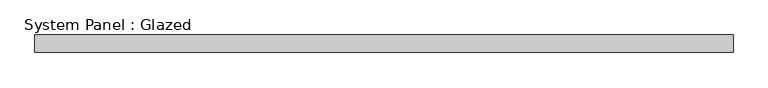
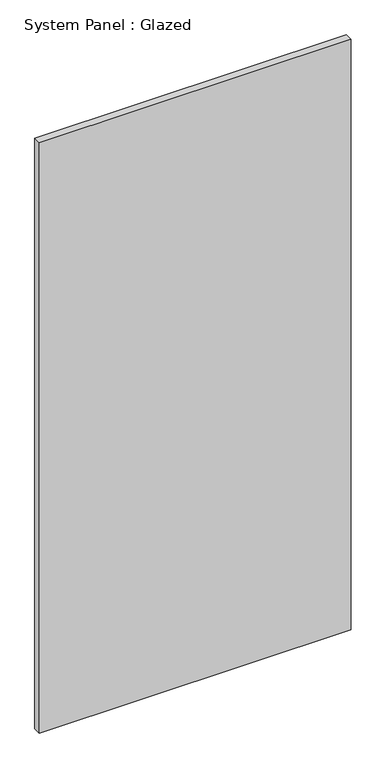
"""IFC4 building model written with IfcOpenShell, lengths in millimetres: plate geometry, System Panel : Glazed."""

import ifcopenshell
import ifcopenshell.guid

model = None  # the IFC model being written
_history = None  # IfcOwnerHistory: only IFC2X3 demands one
_inside = {}  # id of a spatial element -> (the spatial element, [elements in it])
_under = {}  # id of a project, library or spatial element -> (it, [spatial elements below it])
_declared = {}  # id of a project -> (the project, [libraries it declares])
_typed = {}  # id of a type object -> (the type object, [elements of that type])
_made_of = {}  # id of a material, layer set ... -> (it, [elements and type objects made of it])


def new_model(schema):
    """Start an empty IFC model of exactly this schema.

    Asked for "IFC4X3", IfcOpenShell would pick the latest addendum, in which some entities
    have other attributes; the version numbers below select the first issue.
    IFC2X3 requires an IfcOwnerHistory on every rooted entity: one is made here for all.
    """
    global model, _history
    if schema == "IFC4X3":
        model = ifcopenshell.file(schema_version=(4, 3, 0, 0))
    else:
        model = ifcopenshell.file(schema=schema)
    _inside.clear()
    _under.clear()
    _declared.clear()
    _typed.clear()
    _made_of.clear()
    _history = None
    if model.schema == "IFC2X3":
        org = make("IfcOrganization", Name="unknown")
        user = make(
            "IfcPersonAndOrganization",
            ThePerson=make("IfcPerson", FamilyName="unknown"),
            TheOrganization=org,
        )
        app = make(
            "IfcApplication",
            ApplicationDeveloper=org,
            Version="unknown",
            ApplicationFullName="unknown",
            ApplicationIdentifier="unknown",
        )
        _history = make(
            "IfcOwnerHistory",
            OwningUser=user,
            OwningApplication=app,
            ChangeAction="ADDED",
            CreationDate=0,
        )
    return model


def make(cls, **values):
    """One entity of the class cls with the attributes given. An attribute that is None is left unset."""
    return model.create_entity(
        cls, **{name: value for name, value in values.items() if value is not None}
    )


def rooted(cls, **values):
    """An entity with a GlobalId (a new one), such as an element, a storey or a relation."""
    return make(cls, GlobalId=ifcopenshell.guid.new(), OwnerHistory=_history, **values)


def si_unit(unit_type, name, prefix=None):
    """IfcSIUnit, for example si_unit("LENGTHUNIT", "METRE", prefix="MILLI")."""
    return make("IfcSIUnit", UnitType=unit_type, Prefix=prefix, Name=name)


def assignment(units):
    """IfcUnitAssignment: the units of a project."""
    return None if units is None else make("IfcUnitAssignment", Units=units)


def point(xyz):
    """IfcCartesianPoint."""
    return None if xyz is None else make("IfcCartesianPoint", Coordinates=xyz)


def direction(xyz):
    """IfcDirection."""
    return None if xyz is None else make("IfcDirection", DirectionRatios=xyz)


def frame(location, z_axis=None, x_axis=None):
    """IfcAxis2Placement3D, a coordinate frame: its origin and axes. An axis left out is left unset."""
    return make(
        "IfcAxis2Placement3D",
        Location=point(location),
        Axis=direction(z_axis),
        RefDirection=direction(x_axis),
    )


def origin():
    """The frame at (0, 0, 0) with its axes left unset."""
    return frame((0.0, 0.0, 0.0))


def origin_with_axes():
    """The frame at (0, 0, 0) with the z axis (0, 0, 1) and the x axis (1, 0, 0) written out."""
    return frame((0.0, 0.0, 0.0), z_axis=(0.0, 0.0, 1.0), x_axis=(1.0, 0.0, 0.0))


def place(relative_to, where):
    """IfcLocalPlacement: puts the frame where relative to a parent placement (None: the world)."""
    return make(
        "IfcLocalPlacement", PlacementRelTo=relative_to, RelativePlacement=where
    )


def context(
    kind, dimensions, precision=None, world=None, true_north=None, identifier=None
):
    """IfcGeometricRepresentationContext, for example the 3D "Model" context."""
    return make(
        "IfcGeometricRepresentationContext",
        ContextIdentifier=identifier,
        ContextType=kind,
        CoordinateSpaceDimension=dimensions,
        Precision=precision,
        WorldCoordinateSystem=world,
        TrueNorth=true_north,
    )


def project(units=None, contexts=None):
    """IfcProject with its units and contexts."""
    return rooted(
        "IfcProject",
        Name="project",
        RepresentationContexts=contexts,
        UnitsInContext=assignment(units),
    )


def spatial(cls, under=None, at=None, **own):
    """A site, building, storey or space (cls), placed at a placement, below another one or the project."""
    s = rooted(cls, ObjectPlacement=at, **own)
    if under is not None:
        _under.setdefault(under.id(), (under, []))[1].append(s)
    return s


def polyline(points):
    """IfcPolyline through the points."""
    return make("IfcPolyline", Points=[point(p) for p in points])


def outline(outer, holes=None, kind="AREA"):
    """IfcArbitraryClosedProfileDef: a profile drawn as a closed curve; with holes, ...WithVoids."""
    if holes is None:
        return make("IfcArbitraryClosedProfileDef", ProfileType=kind, OuterCurve=outer)
    return make(
        "IfcArbitraryProfileDefWithVoids",
        ProfileType=kind,
        OuterCurve=outer,
        InnerCurves=holes,
    )


def extrude(swept, where, along, depth):
    """IfcExtrudedAreaSolid: the profile swept, set in the frame where, extruded along a direction by depth."""
    return make(
        "IfcExtrudedAreaSolid",
        SweptArea=swept,
        Position=where,
        ExtrudedDirection=direction(along),
        Depth=depth,
    )


def shape(context_of_items, identifier, shape_type, items):
    """IfcShapeRepresentation: the items that make up one representation, for example the "Body"."""
    return make(
        "IfcShapeRepresentation",
        ContextOfItems=context_of_items,
        RepresentationIdentifier=identifier,
        RepresentationType=shape_type,
        Items=items,
    )


def source(mapping_origin, context_of_items, identifier, shape_type, items):
    """IfcRepresentationMap: a shape defined once, which mapped items show again and again."""
    return make(
        "IfcRepresentationMap",
        MappingOrigin=mapping_origin,
        MappedRepresentation=shape(context_of_items, identifier, shape_type, items),
    )


def transform(
    local_origin,
    x_axis=None,
    y_axis=None,
    z_axis=None,
    scale=None,
    scale2=None,
    scale3=None,
    uniform=True,
):
    """IfcCartesianTransformationOperator3D, or its non-uniform kind. x_axis, y_axis, z_axis: its Axis1, 2, 3."""
    if uniform:
        return make(
            "IfcCartesianTransformationOperator3D",
            Axis1=direction(x_axis),
            Axis2=direction(y_axis),
            LocalOrigin=point(local_origin),
            Scale=scale,
            Axis3=direction(z_axis),
        )
    return make(
        "IfcCartesianTransformationOperator3DnonUniform",
        Axis1=direction(x_axis),
        Axis2=direction(y_axis),
        LocalOrigin=point(local_origin),
        Scale=scale,
        Axis3=direction(z_axis),
        Scale2=scale2,
        Scale3=scale3,
    )


def mapped(mapping_source, mapping_target):
    """IfcMappedItem: shows the shape of a source again, moved by a transform."""
    return make(
        "IfcMappedItem", MappingSource=mapping_source, MappingTarget=mapping_target
    )


def made_of(thing, what):
    """Note that an element or type object is made of a material, layer set ...; save() writes the relation."""
    if what is not None:
        _made_of.setdefault(what.id(), (what, []))[1].append(thing)
    return thing


def element(
    cls,
    number,
    at=None,
    inside=None,
    cuts=None,
    type_object=None,
    material=None,
    context=None,
    identifier="Body",
    shape_type=None,
    held_by="IfcProductDefinitionShape",
    body=None,
    shapes=None,
    **own,
):
    """One element of the class cls, such as IfcWall. Its Tag is "e" and its number.

    at: its placement. inside: the storey or other place that contains it. cuts: it is an
    opening in that element (IfcRelVoidsElement). A single representation is given by context,
    identifier, shape_type and body (its items); several are given by shapes. held_by: the class
    of the entity that holds the representations. save() writes the other relations.
    """
    e = rooted(cls, Tag="e%d" % number, ObjectPlacement=at, **own)
    if body is not None:
        shapes = [shape(context, identifier, shape_type, body)]
    if shapes is not None:
        e.Representation = make(held_by, Representations=shapes)
    if inside is not None:
        _inside.setdefault(inside.id(), (inside, []))[1].append(e)
    if cuts is not None:
        rooted(
            "IfcRelVoidsElement", RelatingBuildingElement=cuts, RelatedOpeningElement=e
        )
    if type_object is not None:
        _typed.setdefault(type_object.id(), (type_object, []))[1].append(e)
    return made_of(e, material)


def aggregate(whole, parts):
    """IfcRelAggregates: a whole, such as a stair, and the parts it consists of."""
    return rooted("IfcRelAggregates", RelatingObject=whole, RelatedObjects=parts)


def save(model, path):
    """Write the relations noted so far, then the file.

    IfcRelAggregates (storeys below a building ...), IfcRelContainedInSpatialStructure (elements
    in a storey), IfcRelDefinesByType, IfcRelAssociatesMaterial and IfcRelDeclares: one each for
    every whole, place, type object, material and project.
    """
    for whole, parts in _under.values():
        aggregate(whole, parts)
    for where, things in _inside.values():
        rooted(
            "IfcRelContainedInSpatialStructure",
            RelatedElements=things,
            RelatingStructure=where,
        )
    for kind, things in _typed.values():
        rooted("IfcRelDefinesByType", RelatedObjects=things, RelatingType=kind)
    for what, things in _made_of.values():
        rooted("IfcRelAssociatesMaterial", RelatedObjects=things, RelatingMaterial=what)
    for by, libraries in _declared.values():
        rooted("IfcRelDeclares", RelatingContext=by, RelatedDefinitions=libraries)
    model.write(path)


def system_panel_glazed_fd864b26(model_context):
    return source(origin(), model_context, "Body", "SweptSolid", [
        extrude(outline(polyline([(499.5094065, 24.5), (-499.5094065, 24.5), (-499.5094065, 49.5), (499.5094065, 49.5), (499.5094065, 24.5)])), origin_with_axes(), (0.0, 0.0, 1.0), 2000.0),
    ])


if __name__ == "__main__":
    model = new_model("IFC4")
    model_context = context("Model", 3, world=origin())
    ifc_project = project(units=[si_unit("LENGTHUNIT", "METRE", prefix="MILLI")], contexts=[model_context])
    site = spatial("IfcSite", under=ifc_project)
    building = spatial("IfcBuilding", under=site)
    placement = place(None, origin())
    system_panel_glazed_shape = system_panel_glazed_fd864b26(model_context)
    element("IfcPlate", 1, ObjectType="System Panel : Glazed", at=placement, inside=building, context=model_context, shape_type="MappedRepresentation", body=[
        mapped(system_panel_glazed_shape, transform((0.0, 0.0, 0.0), x_axis=(1.0, 0.0, 0.0), y_axis=(0.0, 1.0, 0.0), z_axis=(0.0, 0.0, 1.0))),
    ])
    save(model, "model.ifc")
